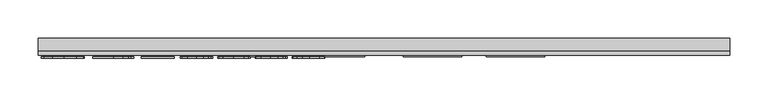
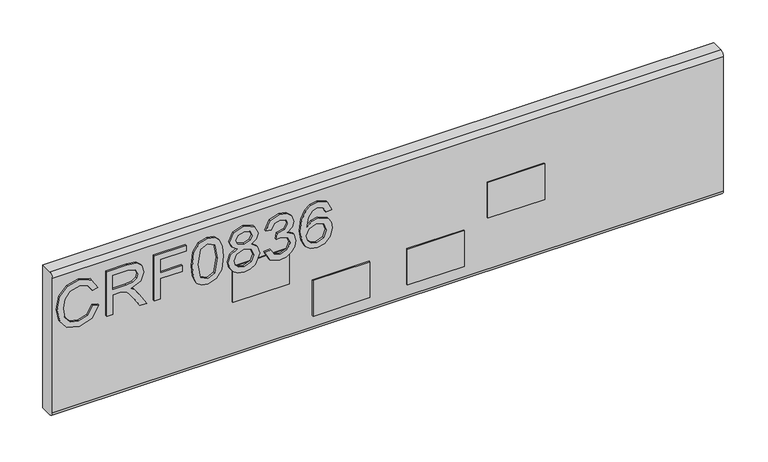
"""IFC4 building model written with IfcOpenShell, lengths in millimetres: furniture geometry."""

from ifc_helpers import new_model, si_unit, point, frame, frame_2d, origin, place, context, project, spatial, polyline, circle_curve, trimmed, segment, composite_curve, outline, extrude, source, transform, mapped, element, save


def furniture_0c1f18e4(model_context):
    return source(origin(), model_context, "Body", "SweptSolid", [
        extrude(outline(polyline([(702.1252652, -802.6680206), (690.3827171, -809.4347807), (686.4270047, -821.636752), (689.3314943, -832.6395507), (698.107258, -840.1304865), (711.8432359, -842.5366187), (723.6947997, -840.5042546), (732.8521183, -833.4571684), (736.2627523, -820.9826579), (733.1869522, -810.2056774), (723.3833263, -803.6647356), (725.2833141, -795.6910159), (739.2684708, -804.7003847), (744.2364719, -820.6711844), (740.397562, -835.9956768), (729.1611582, -846.7337231), (711.8276623, -850.5103383), (694.7744924, -847.1697859), (682.6426026, -837.4362414), (678.453285, -820.8424948), (683.9897251, -804.1475194), (700.0695406, -794.694301), (702.1252652, -802.6680206)])), frame((0.0, 1146.9916162, 0.0), z_axis=(0.0, 1.0, 0.0), x_axis=(0.0, 0.0, 1.0)), (0.0, 0.0, 1.0), 2.38125),
        extrude(outline(polyline([(679.45, -783.7304365), (679.45, -775.7567169), (707.3580187, -775.7567169), (707.3580187, -766.1321881), (707.0776926, -761.5068078), (705.5592596, -757.7146189), (701.42445, -753.5019409), (692.6720468, -747.5060775), (679.45, -739.2053108), (679.45, -729.9389764), (696.736775, -740.5757938), (704.9440996, -747.0388673), (708.3547336, -751.5708056), (714.2883023, -738.2163826), (725.7816716, -733.8946889), (735.4295609, -736.5032788), (741.5188663, -743.4802835), (743.2397569, -756.242907), (743.2397569, -783.7304365), (679.45, -783.7304365)]), holes=[polyline([(715.3317383, -775.7567169), (735.2660373, -775.7567169), (735.2660373, -755.9002862), (732.5094975, -745.2401083), (725.4857719, -741.8684085), (720.0739211, -743.6360202), (716.4608294, -748.806479), (715.3317383, -757.9092898), (715.3317383, -775.7567169)])]), frame((0.0, 1146.9916162, 0.0), z_axis=(0.0, 1.0, 0.0), x_axis=(0.0, 0.0, 1.0)), (0.0, 0.0, 1.0), 2.38125),
        extrude(outline(polyline([(679.45, -719.9406796), (679.45, -711.96696), (708.3547336, -711.96696), (708.3547336, -682.0655114), (716.3284532, -682.0655114), (716.3284532, -711.96696), (735.2660373, -711.96696), (735.2660373, -677.0819366), (743.2397569, -677.0819366), (743.2397569, -719.9406796), (679.45, -719.9406796)])), frame((0.0, 1146.9916162, 0.0), z_axis=(0.0, 1.0, 0.0), x_axis=(0.0, 0.0, 1.0)), (0.0, 0.0, 1.0), 2.38125),
        extrude(outline(polyline([(710.8309473, -669.108217), (695.3156775, -667.5197026), (684.5270168, -662.7541592), (679.971718, -656.4623961), (678.453285, -648.177203), (681.9495742, -636.5047365), (692.5552443, -629.566666), (710.8309473, -627.246189), (725.8206058, -628.6945404), (735.2582505, -632.4322215), (741.1840324, -638.8641477), (743.2397569, -648.177203), (739.7668283, -659.8029485), (729.1845188, -666.7643795), (710.8309473, -669.108217)]), holes=[polyline([(710.846521, -661.1344974), (730.9988514, -657.272227), (735.2660373, -648.270645), (730.4226256, -638.8330003), (710.846521, -635.2199086), (691.0601718, -638.9575897), (686.4270047, -648.177203), (691.0445982, -657.3968163), (710.846521, -661.1344974)])]), frame((0.0, 1146.9916162, 0.0), z_axis=(0.0, 1.0, 0.0), x_axis=(0.0, 0.0, 1.0)), (0.0, 0.0, 1.0), 2.38125),
        extrude(outline(polyline([(714.5842021, -608.6512257), (708.7907964, -617.2478921), (698.2318474, -620.2691843), (690.4742125, -618.8286198), (684.1143145, -614.506926), (679.8685424, -607.833608), (678.453285, -599.3381704), (679.8627023, -590.8427327), (684.090954, -584.1694147), (698.013816, -578.4071564), (708.3313731, -581.311646), (714.5842021, -589.7915099), (719.513269, -582.7288501), (727.0275653, -580.4005863), (738.5209346, -585.6333398), (743.2397569, -599.447186), (738.6299503, -613.136443), (727.2455967, -618.2757544), (719.5366295, -615.9163433), (714.5842021, -608.6512257)]), holes=[polyline([(727.0119916, -610.3020348), (732.8365446, -607.4286925), (735.2660373, -599.3381704), (732.7820368, -591.2710087), (726.6537972, -588.3743059), (720.7358022, -591.1775667), (718.3218831, -599.2447283), (720.7513758, -607.4754135), (727.0119916, -610.3020348)]), polyline([(698.5121735, -612.2954647), (706.9686769, -608.9237649), (710.3481635, -599.5406281), (706.9219559, -589.884952), (698.2629947, -586.380876), (689.7675571, -589.7759363), (686.4270047, -599.2758757), (688.0155191, -606.2528803), (692.5085232, -610.9639158), (698.5121735, -612.2954647)])]), frame((0.0, 1146.9916162, 0.0), z_axis=(0.0, 1.0, 0.0), x_axis=(0.0, 0.0, 1.0)), (0.0, 0.0, 1.0), 2.38125),
        extrude(outline(polyline([(696.3941542, -571.4301517), (683.4524335, -565.0916675), (678.453285, -551.1065109), (679.9172101, -542.5838193), (684.3089854, -535.6730028), (690.8032063, -531.0943435), (698.5744681, -529.5681237), (708.9465331, -532.6205632), (714.397318, -541.3106717), (719.6767925, -534.7697298), (727.0275653, -532.5582685), (735.0713664, -534.8865324), (741.0516562, -541.6143583), (743.2397569, -551.2311002), (738.8012607, -563.9080685), (726.2956028, -570.4334367), (725.2988878, -562.4597171), (732.7742499, -558.5507257), (735.2660373, -550.9507742), (732.7976105, -543.4442647), (726.5603552, -540.5319882), (719.5210558, -544.5499953), (717.3251682, -554.8753393), (709.3514486, -555.7630385), (710.2235742, -550.1720906), (706.96089, -541.108214), (698.7146312, -537.5418433), (689.962228, -541.1393613), (686.4270047, -550.8261848), (688.9966604, -559.05687), (697.3908691, -563.4564321), (696.3941542, -571.4301517)])), frame((0.0, 1146.9916162, 0.0), z_axis=(0.0, 1.0, 0.0), x_axis=(0.0, 0.0, 1.0)), (0.0, 0.0, 1.0), 2.38125),
        extrude(outline(polyline([(726.2956028, -481.725806), (738.738966, -487.6126537), (743.2397569, -500.2117536), (741.4215308, -509.4664077), (735.9668525, -516.6108293), (725.1081103, -521.8435828), (709.2268592, -523.587834), (695.1015395, -522.0168399), (685.6171738, -517.3038577), (680.2442572, -510.0990881), (678.453285, -501.0527319), (681.155317, -490.6027985), (688.9421526, -483.3610415), (699.9449512, -480.729091), (708.1172351, -482.126828), (714.6309231, -486.320039), (720.315313, -499.8691328), (718.2362279, -508.5826018), (711.8743833, -515.6141144), (726.0853582, -513.3481452), (733.3349021, -507.9051472), (735.2660373, -500.7101111), (731.9488454, -492.7208178), (725.2988878, -489.6995256), (726.2956028, -481.725806)]), holes=[polyline([(700.0695406, -515.6141144), (708.95432, -511.6506151), (712.3415934, -502.0027258), (708.95432, -492.2302472), (699.6801988, -488.7028106), (689.9933754, -492.2769682), (686.4270047, -501.6756787), (688.1478953, -508.8629279), (693.1626174, -513.7686343), (700.0695406, -515.6141144)])]), frame((0.0, 1146.9916162, 0.0), z_axis=(0.0, 1.0, 0.0), x_axis=(0.0, 0.0, 1.0)), (0.0, 0.0, 1.0), 2.38125),
        extrude(outline(polyline([(-270.2971981, 1150.9603662), (-194.0971981, 1150.9603662), (-194.0971981, 1149.3728662), (-270.2971981, 1149.3728662), (-270.2971981, 1150.9603662)])), frame((0.0, 0.0, 638.174997), z_axis=(0.0, 0.0, 1.0), x_axis=(1.0, 0.0, 0.0)), (0.0, 0.0, 1.0), 50.8000061),
        extrude(outline(polyline([(-613.1971981, 1150.9603662), (-536.9971981, 1150.9603662), (-536.9971981, 1149.3728662), (-613.1971981, 1149.3728662), (-613.1971981, 1150.9603662)])), frame((0.0, 0.0, 638.174997), z_axis=(0.0, 0.0, 1.0), x_axis=(1.0, 0.0, 0.0)), (0.0, 0.0, 1.0), 50.8000061),
        extrude(outline(polyline([(-505.2471921, 1150.9603662), (-429.0471921, 1150.9603662), (-429.0471921, 1149.3728662), (-505.2471921, 1149.3728662), (-505.2471921, 1150.9603662)])), frame((0.0, 0.0, 581.0249992), z_axis=(0.0, 0.0, 1.0), x_axis=(1.0, 0.0, 0.0)), (0.0, 0.0, 1.0), 50.7999992),
        extrude(outline(polyline([(-378.247186, 1150.9603662), (-302.047186, 1150.9603662), (-302.047186, 1149.3728662), (-378.247186, 1149.3728662), (-378.247186, 1150.9603662)])), frame((0.0, 0.0, 581.0249992), z_axis=(0.0, 0.0, 1.0), x_axis=(1.0, 0.0, 0.0)), (0.0, 0.0, 1.0), 50.7999992),
        extrude(outline(composite_curve([segment(trimmed(circle_curve(frame_2d((1156.9134912, 756.0468811)), 5.953125), [point((1150.9603662, 756.0468811))], [point((1156.9134912, 762.0000061))], False, "CARTESIAN"), True, "CONTINUOUS"), segment(polyline([(1156.9134912, 762.0000061), (1173.1853662, 762.0000061), (1173.1853662, 558.8), (1156.9134912, 558.8)]), True, "CONTINUOUS"), segment(trimmed(circle_curve(frame_2d((1156.9134912, 564.753125)), 5.953125), [point((1156.9134912, 558.8))], [point((1150.9603662, 564.753125))], False, "CARTESIAN"), True, "CONTINUOUS"), segment(polyline([(1150.9603662, 564.753125), (1150.9603662, 756.0468811)]), True, "CONTINUOUS")], self_intersect=False)), frame((-854.4971981, 0.0, 0.0), z_axis=(1.0, 0.0, 0.0), x_axis=(0.0, 1.0, 0.0)), (0.0, 0.0, 1.0), 901.7),
    ])


if __name__ == "__main__":
    model = new_model("IFC4")
    model_context = context("Model", 3, world=origin())
    ifc_project = project(units=[si_unit("LENGTHUNIT", "METRE", prefix="MILLI")], contexts=[model_context])
    site = spatial("IfcSite", under=ifc_project)
    building = spatial("IfcBuilding", under=site)
    placement = place(None, origin())
    furniture_shape = furniture_0c1f18e4(model_context)
    element("IfcFurniture", 1, at=placement, inside=building, context=model_context, shape_type="MappedRepresentation", body=[
        mapped(furniture_shape, transform((0.0, 0.0, 0.0), x_axis=(1.0, 0.0, 0.0), y_axis=(0.0, 1.0, 0.0), z_axis=(0.0, 0.0, 1.0))),
    ])
    save(model, "model.ifc")
